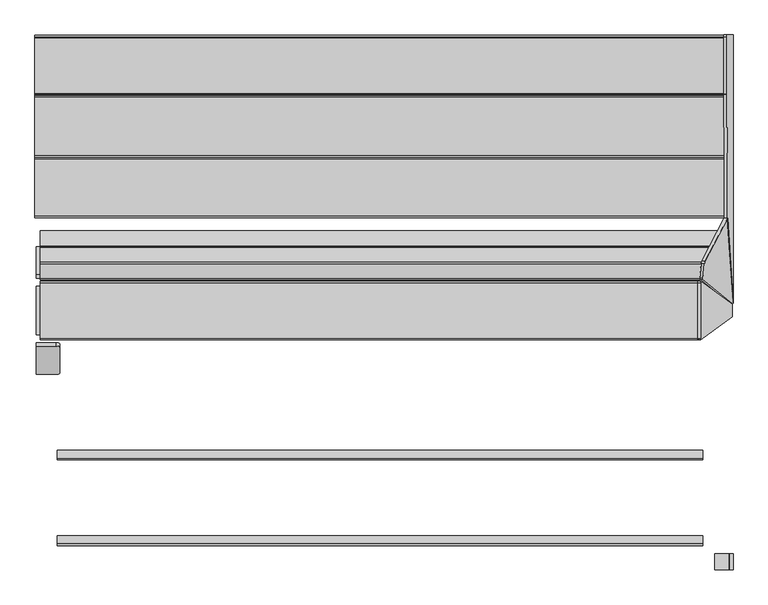
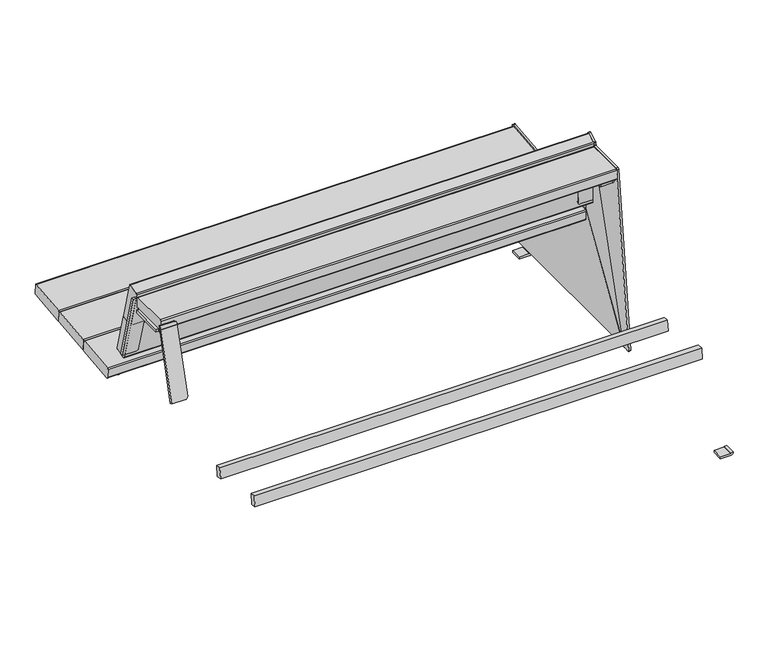
"""IFC4 building model written with IfcOpenShell, lengths in millimetres: furniture geometry."""

from ifc_helpers import new_model, si_unit, point, frame, frame_2d, origin, place, context, project, spatial, polyline, circle_curve, ellipse_curve, trimmed, segment, composite_curve, outline, extrude, source, transform, mapped, element, save
from ifc_brep_helpers import plane_surface, cylinder_surface, revolved_surface, advanced_brep


def furniture_0aa07b95(model_context):
    return source(origin(), model_context, "Body", "SolidModel", [
        extrude(outline(composite_curve([segment(polyline([(-50.4131532, 0.0), (0.0, 0.0)]), True, "CONTINUOUS"), segment(trimmed(circle_curve(frame_2d((0.0, -8.0000001)), 8.0), [point((0.0, 0.0))], [point((7.9184089, -6.8603506))], False, "CARTESIAN"), True, "CONTINUOUS"), segment(polyline([(7.9184089, -6.8603506), (7.45034, -256.1095797)]), True, "CONTINUOUS"), segment(trimmed(circle_curve(frame_2d((-0.5496459, -256.0945564)), 8.0), [point((7.45034, -256.1095797))], [point((-0.5646692, -264.0945423))], False, "CARTESIAN"), True, "CONTINUOUS"), segment(polyline([(-0.5646692, -264.0945423), (-50.9089228, -264.0), (-50.4131532, 0.0)]), True, "CONTINUOUS")], self_intersect=False)), frame((-809.1212977, 506.2807973, 503.5014558), z_axis=(-0.0013631459484884157, 0.9642258427672697, 0.2650786033856215), x_axis=(0.9999973076401404, 0.0018121741131812883, -0.0014493920980689612)), (0.0, 0.0, 1.0), 8.5816086),
        extrude(outline(composite_curve([segment(polyline([(0.0, 0.0), (264.0004656, 0.0), (264.0004656, -50.3443424)]), True, "CONTINUOUS"), segment(trimmed(circle_curve(frame_2d((256.0004656, -50.3443424)), 8.0), [point((264.0004656, -50.3443424))], [point((256.0004656, -58.3443424))], False, "CARTESIAN"), True, "CONTINUOUS"), segment(polyline([(256.0004656, -58.3443424), (6.750797, -58.3443424)]), True, "CONTINUOUS"), segment(trimmed(circle_curve(frame_2d((7.9053145, -50.4280877)), 8.0), [point((6.750797, -58.3443424))], [point((-0.0946714, -50.4130643))], False, "CARTESIAN"), True, "CONTINUOUS"), segment(polyline([(-0.0946714, -50.4130643), (0.0, 0.0)]), True, "CONTINUOUS")], self_intersect=False)), frame((-859.5343152, 204.7655811, 503.5745242), z_axis=(-0.0013631459484884229, -0.9642258427672697, 0.2650786033856215), x_axis=(0.0, 0.265078849666105, 0.9642267386147796)), (0.0, 0.0, 1.0), 8.5816086),
        extrude(outline(composite_curve([segment(polyline([(8.0, 873.0307512), (8.0, 836.3870635), (0.0, 836.3870635), (0.0, 874.0907197)]), True, "CONTINUOUS"), segment(trimmed(circle_curve(frame_2d((8.2703475, 873.7509968)), 8.277322), [point((0.0, 874.0907197))], [point((8.2703475, 882.0283188))], False, "CARTESIAN"), True, "CONTINUOUS"), segment(polyline([(8.2703475, 882.0283188), (10.2731042, 882.0283188), (9.9939083, 874.0331922), (9.0714168, 874.0654063)]), True, "CONTINUOUS"), segment(trimmed(circle_curve(frame_2d((9.0352858, 873.0307512)), 1.0352858), [point((9.0714168, 874.0654063))], [point((8.0, 873.0307512))], True, "CARTESIAN"), True, "CONTINUOUS")], self_intersect=False)), frame((0.0, -292.8663844, 0.0), z_axis=(0.0, 1.0, 0.0), x_axis=(0.0, 0.0, 1.0)), (0.0, 0.0, 1.0), 40.0),
        advanced_brep(
        [(868.107991, 586.0009623, 408.8991383), (881.9905734, 374.8756351, 11.3539925), (882.0283188, 377.6111261, 10.2731042), (882.0283188, 407.6111261, 10.2731042), (882.0283188, 447.6111261, 10.2731042), (882.0283188, 963.8214054, 10.2731042), (882.0283188, 1003.8214054, 10.2731042), (882.0283188, 1040.2989159, 10.2731042), (881.8887208, 1044.2989159, 14.2706676), (866.5175483, 1044.2989159, 454.4434578), (866.3787748, 1039.8648139, 458.4174101), (860.1128644, 586.0009623, 408.6199423), (858.3836482, 1039.8648139, 458.1382142), (858.5224217, 1044.2989159, 454.1642618), (873.8935942, 1044.2989159, 13.9914716), (874.0331922, 1040.2989159, 9.9939083), (874.0331922, 1003.8214054, 9.9939083), (874.0654063, 1003.8214054, 9.0714168), (874.0654063, 963.8214054, 9.0714168), (874.0331922, 963.8214054, 9.9939083), (874.0331922, 447.6111261, 9.9939083), (874.0654063, 447.6111261, 9.0714168), (874.0654063, 407.6111261, 9.0714168), (874.0331922, 407.6111261, 9.9939083), (874.0331922, 377.6111261, 9.9939083), (873.9954468, 374.8756351, 11.0747965), (873.0307512, 407.6111261, 8.0), (836.3870635, 407.6111261, 8.0), (836.3870635, 407.6111261, 0.0), (874.0907197, 407.6111261, 0.0), (882.0283188, 407.6111261, 8.2703475), (873.0307512, 447.6111261, 8.0), (882.0283188, 447.6111261, 8.2703475), (874.0907197, 447.6111261, 0.0), (836.3870635, 447.6111261, 0.0), (836.3870635, 447.6111261, 8.0), (873.0307512, 1003.8214054, 8.0), (882.0283188, 1003.8214054, 8.2703475), (874.0907197, 1003.8214054, 0.0), (836.3870635, 1003.8214054, 0.0), (836.3870635, 1003.8214054, 8.0), (873.0307512, 963.8214054, 8.0), (836.3870635, 963.8214054, 8.0), (836.3870635, 963.8214054, 0.0), (874.0907197, 963.8214054, 0.0), (882.0283188, 963.8214054, 8.2703475)],
        [
            (0, 1),
            (1, 2, circle_curve(frame((881.8887163, 377.6111261, 14.2707962), z_axis=(0.9993908270190959, 0.0, 0.0348994967025008), x_axis=(0.0348994967025008, 0.0, -0.9993908270190959)), 4.0001287)),
            (2, 3),
            (3, 4),
            (4, 5),
            (5, 6),
            (6, 7),
            (7, 8, circle_curve(frame((881.8887208, 1040.2989159, 14.2706676), z_axis=(0.9993908270190959, 0.0, 0.0348994967025008), x_axis=(0.0348994967025008, 0.0, -0.9993908270190959)), 4.0)),
            (8, 9),
            (9, 10, circle_curve(frame((866.5175483, 1040.2989159, 454.4434578), z_axis=(0.9993908270190959, 0.0, 0.0348994967025008), x_axis=(0.0348994967025008, 0.0, -0.9993908270190959)), 4.0)),
            (10, 0),
            (11, 12),
            (12, 13, circle_curve(frame((858.5224217, 1040.2989159, 454.1642618), z_axis=(-0.9993908270190959, 0.0, -0.0348994967025008), x_axis=(0.0348994967025008, 0.0, -0.9993908270190959)), 4.0)),
            (13, 14),
            (14, 15, circle_curve(frame((873.8935942, 1040.2989159, 13.9914716), z_axis=(-0.9993908270190959, 0.0, -0.0348994967025008), x_axis=(0.0348994967025008, 0.0, -0.9993908270190959)), 4.0)),
            (15, 16),
            (16, 17),
            (17, 18),
            (18, 19),
            (19, 20),
            (20, 21),
            (21, 22),
            (22, 23),
            (23, 24),
            (24, 25, circle_curve(frame((873.8935897, 377.6111261, 13.9916002), z_axis=(-0.9993908270190959, 0.0, -0.0348994967025008), x_axis=(0.0348994967025008, 0.0, -0.9993908270190959)), 4.0001287)),
            (25, 11),
            (0, 11),
            (25, 1),
            (24, 2),
            (23, 3),
            (15, 7),
            (6, 16),
            (4, 20),
            (19, 5),
            (14, 8),
            (13, 9),
            (12, 10),
            (26, 27),
            (27, 28),
            (28, 29),
            (29, 30, circle_curve(frame((873.7509968, 407.6111261, 8.2703475), z_axis=(0.0, -1.0, 0.0), x_axis=(-1.0, 0.0, 0.0)), 8.277322)),
            (30, 3),
            (22, 26, circle_curve(frame((873.0307512, 407.6111261, 9.0352858), z_axis=(0.0, 1.0, 0.0), x_axis=(-1.0, 0.0, 0.0)), 1.0352858)),
            (31, 21, circle_curve(frame((873.0307512, 447.6111261, 9.0352858), z_axis=(0.0, -1.0, 0.0), x_axis=(-1.0, 0.0, 0.0)), 1.0352858)),
            (4, 32),
            (32, 33, circle_curve(frame((873.7509968, 447.6111261, 8.2703475), z_axis=(0.0, 1.0, 0.0), x_axis=(-1.0, 0.0, 0.0)), 8.277322)),
            (33, 34),
            (34, 35),
            (35, 31),
            (31, 26),
            (28, 34),
            (33, 29),
            (27, 35),
            (30, 32),
            (36, 17, circle_curve(frame((873.0307512, 1003.8214054, 9.0352858), z_axis=(0.0, -1.0, 0.0), x_axis=(-1.0, 0.0, 0.0)), 1.0352858)),
            (6, 37),
            (37, 38, circle_curve(frame((873.7509968, 1003.8214054, 8.2703475), z_axis=(0.0, 1.0, 0.0), x_axis=(-1.0, 0.0, 0.0)), 8.277322)),
            (38, 39),
            (39, 40),
            (40, 36),
            (41, 42),
            (42, 43),
            (43, 44),
            (44, 45, circle_curve(frame((873.7509968, 963.8214054, 8.2703475), z_axis=(0.0, -1.0, 0.0), x_axis=(-1.0, 0.0, 0.0)), 8.277322)),
            (45, 5),
            (18, 41, circle_curve(frame((873.0307512, 963.8214054, 9.0352858), z_axis=(0.0, 1.0, 0.0), x_axis=(-1.0, 0.0, 0.0)), 1.0352858)),
            (36, 41),
            (38, 44),
            (43, 39),
            (42, 40),
            (45, 37),
        ],
        [
            plane_surface(frame((868.0672975, 586.6198261, 410.0644476), z_axis=(0.9993908270190959, 0.0, 0.0348994967025008), x_axis=(0.030826689731681154, -0.46881010804538603, -0.8827608950302795))),
            plane_surface(frame((860.0721709, 586.6198261, 409.7852516), z_axis=(-0.9993908270190959, 0.0, -0.0348994967025008), x_axis=(-0.030826689731681154, 0.46881010804538603, 0.8827608950302795))),
            plane_surface(frame((868.107991, 586.0009623, 408.8991383), z_axis=(-0.01636123681982749, -0.8832989769010681, 0.4685245215943901), x_axis=(-0.9993908270190959, 0.0, -0.03489949670249758))),
            cylinder_surface(frame((873.8935897, 377.6111261, 13.9916002), z_axis=(0.9993908270190959, 0.0, 0.0348994967025008), x_axis=(0.0348994967025008, 0.0, -0.9993908270190959)), 4.0001287),
            plane_surface(frame((882.0283188, 377.6111261, 10.2731042), z_axis=(0.034899496702506035, 0.0, -0.9993908270190955), x_axis=(-0.9993908270190955, 0.0, -0.034899496702506035))),
            cylinder_surface(frame((873.8935942, 1040.2989159, 13.9914716), z_axis=(0.9993908270190959, 0.0, 0.0348994967025008), x_axis=(0.0348994967025008, 0.0, -0.9993908270190959)), 4.0),
            plane_surface(frame((881.8887208, 1044.2989159, 14.2706676), z_axis=(0.0, 1.0, 0.0), x_axis=(-0.9993908270190959, 0.0, -0.03489949670249758))),
            cylinder_surface(frame((858.5224217, 1040.2989159, 454.1642618), z_axis=(0.9993908270190959, 0.0, 0.0348994967025008), x_axis=(0.0348994967025008, 0.0, -0.9993908270190959)), 4.0),
            plane_surface(frame((866.3787748, 1039.8648139, 458.4174101), z_axis=(-0.03469336856702337, -0.10852550922751893, 0.9934880895231611), x_axis=(-0.9993908270190962, 0.0, -0.03489949670248914))),
            plane_surface(frame((836.3870635, 407.6111261, 8.0), z_axis=(0.0, -1.0, 0.0), x_axis=(-1.0, 0.0, 0.0))),
            plane_surface(frame((836.3870635, 447.6111261, 8.0), z_axis=(0.0, 1.0, 0.0), x_axis=(1.0, 0.0, 0.0))),
            revolved_surface(polyline([(871.9954654000001, 447.6111261, 9.0352858), (871.9954654000001, 407.6111261, 9.0352858)]), (873.0307512, 447.6111261, 9.0352858), (0.0, 1.0, 0.0)),
            plane_surface(frame((836.3870635, 407.6111261, 0.0), z_axis=(0.0, 0.0, -1.0), x_axis=(0.0, 1.0, 0.0))),
            plane_surface(frame((836.3870635, 407.6111261, 8.0), z_axis=(-1.0, 0.0, 0.0), x_axis=(0.0, 1.0, 0.0))),
            plane_surface(frame((873.0307512, 407.6111261, 8.0), z_axis=(0.0, 0.0, 1.0), x_axis=(0.0, 1.0, 0.0))),
            plane_surface(frame((882.0283188, 407.6111261, 8.2703475), z_axis=(1.0, 0.0, 0.0), x_axis=(0.0, 1.0, 0.0))),
            cylinder_surface(frame((873.7509968, 447.6111261, 8.2703475), z_axis=(0.0, -1.0, 0.0), x_axis=(-1.0, 0.0, 0.0)), 8.277322),
            plane_surface(frame((871.9954653, 1003.8214054, 9.0352858), z_axis=(0.0, 1.0, 0.0), x_axis=(0.0, 0.0, -1.0))),
            plane_surface(frame((871.9954653, 963.8214054, 9.0352858), z_axis=(0.0, -1.0, 0.0), x_axis=(0.0, 0.0, 1.0))),
            revolved_surface(polyline([(871.9954654000001, 963.8214054, 9.0352858), (871.9954654000001, 1003.8214054, 9.0352858)]), (873.0307512, 963.8214054, 9.0352858), (0.0, -1.0, 0.0)),
            plane_surface(frame((874.0907197, 1003.8214054, 0.0), z_axis=(0.0, 0.0, -1.0), x_axis=(0.0, -1.0, 0.0))),
            plane_surface(frame((836.3870635, 1003.8214054, 0.0), z_axis=(-1.0, 0.0, 0.0), x_axis=(0.0, -1.0, 0.0))),
            plane_surface(frame((836.3870635, 1003.8214054, 8.0), z_axis=(0.0, 0.0, 1.0), x_axis=(0.0, -1.0, 0.0))),
            plane_surface(frame((882.0283188, 1003.8214054, 10.2731042), z_axis=(1.0, 0.0, 0.0), x_axis=(0.0, -1.0, 0.0))),
            cylinder_surface(frame((873.7509968, 963.8214054, 8.2703475), z_axis=(0.0, 1.0, 0.0), x_axis=(-1.0, 0.0, 0.0)), 8.277322),
        ],
        [
            (0, [[1, 2, 3, 4, 5, 6, 7, 8, 9, 10, 11]]),
            (1, [[12, 13, 14, 15, 16, 17, 18, 19, 20, 21, 22, 23, 24, 25, 26]]),
            (2, [[-1, 27, -26, 28]]),
            (3, [[-2, -28, -25, 29]]),
            (4, [[-29, -24, 30, -3]]),
            (4, [[31, -7, 32, -16]]),
            (4, [[33, -20, 34, -5]]),
            (5, [[-8, -31, -15, 35]]),
            (6, [[-9, -35, -14, 36]]),
            (7, [[-10, -36, -13, 37]]),
            (8, [[-11, -37, -12, -27]]),
            (9, [[38, 39, 40, 41, 42, -30, -23, 43]]),
            (10, [[44, -21, -33, 45, 46, 47, 48, 49]]),
            (11, [[-43, -22, -44, 50]]),
            (12, [[-40, 51, -47, 52]]),
            (13, [[-39, 53, -48, -51]]),
            (14, [[-38, -50, -49, -53]]),
            (15, [[-42, 54, -45, -4]]),
            (16, [[-41, -52, -46, -54]]),
            (17, [[55, -17, -32, 56, 57, 58, 59, 60]]),
            (18, [[61, 62, 63, 64, 65, -34, -19, 66]]),
            (19, [[-55, 67, -66, -18]]),
            (20, [[-58, 68, -63, 69]]),
            (21, [[-59, -69, -62, 70]]),
            (22, [[-60, -70, -61, -67]]),
            (23, [[-56, -6, -65, 71]]),
            (24, [[-57, -71, -64, -68]]),
        ],
    ),
        advanced_brep(
        [(812.5430123, 614.3955054, 347.1443157), (812.5430123, 1032.0535086, 392.7020678), (812.5430123, 1030.2988015, 408.7964286), (812.5430123, 612.6384188, 363.2605016), (806.5474184, 1032.0535086, 392.7020678), (806.5474184, 614.3955054, 347.1443157), (806.5474184, 613.1170209, 358.8707122), (806.5474184, 1030.7774035, 404.4066392), (805.5963377, 1030.6743217, 405.3521172), (766.5577736, 1030.6743217, 405.3521172), (766.5577736, 1029.8652657, 412.772865), (808.5430123, 1029.8652657, 412.772865), (808.5430123, 612.2048831, 367.236938), (766.5577736, 612.2048831, 367.236938), (766.5577736, 613.013939, 359.8161902), (805.5963377, 613.013939, 359.8161902)],
        [
            (0, 1, circle_curve(frame((812.5430123, 770.7220857, 851.2475639), z_axis=(1.0, 0.0, 0.0), x_axis=(0.0, 1.0, 0.0)), 527.7860216)),
            (1, 2),
            (2, 3),
            (3, 0),
            (4, 5, circle_curve(frame((806.5474184, 770.7220857, 851.2475639), z_axis=(-1.0, 0.0, 0.0), x_axis=(0.0, 1.0, 0.0)), 527.7860216)),
            (5, 6),
            (6, 7),
            (7, 4),
            (1, 4),
            (7, 8, circle_curve(frame((805.5963377, 1030.7774035, 404.4066392), z_axis=(0.0, -0.9941091089617909, -0.10838394474826071), x_axis=(0.0, 0.10838394474826071, -0.9941091089617909)), 0.9510807)),
            (8, 9),
            (9, 10),
            (10, 11),
            (11, 2, circle_curve(frame((808.5430123, 1030.2988015, 408.7964286), z_axis=(0.0, 0.9941091089617909, 0.10838394474826071), x_axis=(0.0, 0.10838394474826071, -0.9941091089617909)), 4.0)),
            (0, 5),
            (3, 12, circle_curve(frame((808.5430123, 612.6384188, 363.2605016), z_axis=(0.0, -0.9941091089617909, -0.10838394474826071), x_axis=(0.0, 0.10838394474826071, -0.9941091089617909)), 4.0)),
            (12, 13),
            (13, 14),
            (14, 15),
            (15, 6, circle_curve(frame((805.5963377, 613.1170209, 358.8707122), z_axis=(0.0, 0.9941091089617909, 0.10838394474826071), x_axis=(0.0, 0.10838394474826071, -0.9941091089617909)), 0.9510807)),
            (9, 14),
            (13, 10),
            (8, 15),
            (11, 12),
        ],
        [
            plane_surface(frame((812.5430123, 613.1510989, 358.5581456), z_axis=(1.0, 0.0, 0.0), x_axis=(0.0, -0.9941091089617913, -0.10838394474825762))),
            plane_surface(frame((806.5474184, 613.1510989, 358.5581456), z_axis=(-1.0, 0.0, 0.0), x_axis=(0.0, 0.9941091089617913, 0.10838394474825762))),
            plane_surface(frame((812.5430123, 1032.0535086, 392.7020678), z_axis=(0.0, 0.994109108961791, 0.10838394474826007), x_axis=(-1.0, 0.0, 0.0))),
            cylinder_surface(frame((806.5474184, 770.7220857, 851.2475639), z_axis=(1.0, 0.0, 0.0), x_axis=(0.0, 1.0, 0.0)), 527.7860216),
            plane_surface(frame((812.5430123, 613.1510989, 358.5581456), z_axis=(0.0, -0.994109108961791, -0.10838394474826041), x_axis=(-1.0, 0.0, 0.0))),
            plane_surface(frame((766.5577736, 1030.6743217, 405.3521172), z_axis=(-1.0000000000000002, 0.0, 0.0), x_axis=(0.0, -0.994109108961791, -0.10838394474826069))),
            plane_surface(frame((805.5963377, 1030.6743217, 405.3521172), z_axis=(0.0, 0.10838394474826069, -0.994109108961791), x_axis=(0.0, -0.994109108961791, -0.10838394474826069))),
            revolved_surface(polyline([(805.5963377, 613.220102757714, 357.9252342105562), (805.5963377, 1030.8804854548553, 403.46116123677587)]), (805.5963377, 613.1170209, 358.8707122), (0.0, -0.9941091089617909, -0.10838394474826071)),
            cylinder_surface(frame((808.5430123, 612.6384188, 363.2605016), z_axis=(0.0, 0.9941091089617909, 0.10838394474826071), x_axis=(0.0, 0.10838394474826071, -0.9941091089617909)), 4.0),
            plane_surface(frame((766.5577736, 1029.8652657, 412.772865), z_axis=(0.0, -0.10838394474826069, 0.994109108961791), x_axis=(0.0, -0.994109108961791, -0.10838394474826069))),
        ],
        [
            (0, [[1, 2, 3, 4]]),
            (1, [[5, 6, 7, 8]]),
            (2, [[-2, 9, -8, 10, 11, 12, 13, 14]]),
            (3, [[-1, 15, -5, -9]]),
            (4, [[-6, -15, -4, 16, 17, 18, 19, 20]]),
            (5, [[-12, 21, -18, 22]]),
            (6, [[-11, 23, -19, -21]]),
            (7, [[-10, -7, -20, -23]]),
            (8, [[-14, 24, -16, -3]]),
            (9, [[-13, -22, -17, -24]]),
        ],
    ),
        advanced_brep(
        [(813.6175866, 1032.0535086, 392.7020678), (813.6175866, 614.3955054, 347.1443157), (813.6175866, 612.6552624, 363.1060105), (813.6175866, 1030.315645, 408.6419375), (819.6131806, 614.3955054, 347.1443157), (819.6131806, 1032.0535086, 392.7020678), (819.6131806, 1030.7774035, 404.4066392), (819.6131806, 613.1170209, 358.8707122), (817.6175866, 1029.8821093, 412.6183739), (859.6028254, 1029.8821093, 412.6183739), (859.6028254, 1030.6743217, 405.3521172), (820.5642613, 1030.6743217, 405.3521172), (820.5642613, 613.013939, 359.8161902), (859.6028254, 613.013939, 359.8161902), (859.6028254, 612.2217266, 367.0824469), (817.6175866, 612.2217266, 367.0824469)],
        [
            (0, 1, circle_curve(frame((813.6175866, 770.7220857, 851.2475639), z_axis=(-1.0, 0.0, 0.0), x_axis=(0.0, 1.0, 0.0)), 527.7860216)),
            (1, 2),
            (2, 3),
            (3, 0),
            (4, 5, circle_curve(frame((819.6131806, 770.7220857, 851.2475639), z_axis=(1.0, 0.0, 0.0), x_axis=(0.0, 1.0, 0.0)), 527.7860216)),
            (5, 6),
            (6, 7),
            (7, 4),
            (5, 0),
            (3, 8, circle_curve(frame((817.6175866, 1030.315645, 408.6419375), z_axis=(0.0, 0.9941091089617909, 0.10838394474826071), x_axis=(0.0, 0.10838394474826071, -0.9941091089617909)), 4.0)),
            (8, 9),
            (9, 10),
            (10, 11),
            (11, 6, circle_curve(frame((820.5642613, 1030.7774035, 404.4066392), z_axis=(0.0, -0.9941091089617909, -0.10838394474826071), x_axis=(0.0, 0.10838394474826071, -0.9941091089617909)), 0.9510807)),
            (4, 1),
            (7, 12, circle_curve(frame((820.5642613, 613.1170209, 358.8707122), z_axis=(0.0, 0.9941091089617909, 0.10838394474826071), x_axis=(0.0, 0.10838394474826071, -0.9941091089617909)), 0.9510807)),
            (12, 13),
            (13, 14),
            (14, 15),
            (15, 2, circle_curve(frame((817.6175866, 612.6552624, 363.1060105), z_axis=(0.0, -0.9941091089617909, -0.10838394474826071), x_axis=(0.0, 0.10838394474826071, -0.9941091089617909)), 4.0)),
            (9, 14),
            (13, 10),
            (12, 11),
            (15, 8),
        ],
        [
            plane_surface(frame((813.6175866, 1030.8114815, 404.0940726), z_axis=(-1.0, 0.0, 0.0), x_axis=(0.0, 0.10838394474826071, -0.9941091089617909))),
            plane_surface(frame((819.6131806, 1030.8114815, 404.0940726), z_axis=(1.0, 0.0, 0.0), x_axis=(0.0, -0.10838394474826071, 0.9941091089617909))),
            plane_surface(frame((813.6175866, 1030.8114815, 404.0940726), z_axis=(0.0, 0.9941091089617909, 0.10838394474826071), x_axis=(1.0, 0.0, 0.0))),
            cylinder_surface(frame((819.6131806, 770.7220857, 851.2475639), z_axis=(-1.0, 0.0, 0.0), x_axis=(0.0, 1.0, 0.0)), 527.7860216),
            plane_surface(frame((813.6175866, 614.3955054, 347.1443157), z_axis=(0.0, -0.994109108961791, -0.10838394474826041), x_axis=(1.0, 0.0, 0.0))),
            plane_surface(frame((859.6028254, 1029.8821093, 412.6183739), z_axis=(1.0000000000000002, 0.0, 0.0), x_axis=(0.0, -0.994109108961791, -0.10838394474826081))),
            plane_surface(frame((859.6028254, 1030.6743217, 405.3521172), z_axis=(0.0, 0.10838394474826064, -0.994109108961791), x_axis=(0.0, -0.994109108961791, -0.10838394474826064))),
            revolved_surface(polyline([(820.5642613, 613.220102757714, 357.9252342105562), (820.5642613, 1030.8804854548553, 403.46116123677587)]), (820.5642613, 613.1170209, 358.8707122), (0.0, -0.9941091089617909, -0.10838394474826071)),
            cylinder_surface(frame((817.6175866, 612.6552624, 363.1060105), z_axis=(0.0, 0.9941091089617909, 0.10838394474826071), x_axis=(0.0, 0.10838394474826071, -0.9941091089617909)), 4.0),
            plane_surface(frame((817.6175866, 1029.8821093, 412.6183739), z_axis=(0.0, -0.10838394474826081, 0.994109108961791), x_axis=(0.0, -0.994109108961791, -0.10838394474826081))),
        ],
        [
            (0, [[1, 2, 3, 4]]),
            (1, [[5, 6, 7, 8]]),
            (2, [[-6, 9, -4, 10, 11, 12, 13, 14]]),
            (3, [[-1, -9, -5, 15]]),
            (4, [[-2, -15, -8, 16, 17, 18, 19, 20]]),
            (5, [[-12, 21, -18, 22]]),
            (6, [[-13, -22, -17, 23]]),
            (7, [[-14, -23, -16, -7]]),
            (8, [[-10, -3, -20, 24]]),
            (9, [[-11, -24, -19, -21]]),
        ],
    ),
        advanced_brep(
        [(-766.5577736, 1029.8448496, 412.9601231), (-766.5577736, 1030.6743217, 405.3521172), (-805.5963377, 1030.6743217, 405.3521172), (-806.5474184, 1030.7774035, 404.4066392), (-806.5474184, 1032.0535086, 392.7020678), (-812.5430123, 1032.0535086, 392.7020678), (-812.5430123, 1030.8114815, 404.0940726), (-812.5430123, 1030.2783854, 408.9836866), (-808.5430123, 1029.8448496, 412.9601231), (-766.5577736, 612.184467, 367.4241961), (-808.5430123, 612.184467, 367.4241961), (-812.5430123, 612.6180028, 363.4477596), (-812.5430123, 613.1510989, 358.5581456), (-812.5430123, 614.3955054, 347.1443157), (-806.5474184, 614.3955054, 347.1443157), (-806.5474184, 613.1170209, 358.8707122), (-805.5963377, 613.013939, 359.8161902), (-766.5577736, 613.013939, 359.8161902)],
        [
            (0, 1),
            (1, 2),
            (2, 3, circle_curve(frame((-805.5963377, 1030.7774035, 404.4066392), z_axis=(0.0, -0.9941091089617909, -0.10838394474826071), x_axis=(0.0, 0.10838394474826071, -0.9941091089617909)), 0.9510807)),
            (3, 4),
            (4, 5),
            (5, 6),
            (6, 7),
            (7, 8, circle_curve(frame((-808.5430123, 1030.2783854, 408.9836866), z_axis=(0.0, 0.9941091089617909, 0.10838394474826071), x_axis=(0.0, 0.10838394474826071, -0.9941091089617909)), 4.0)),
            (8, 0),
            (9, 10),
            (10, 11, circle_curve(frame((-808.5430123, 612.6180028, 363.4477596), z_axis=(0.0, -0.9941091089617909, -0.10838394474826071), x_axis=(0.0, 0.10838394474826071, -0.9941091089617909)), 4.0)),
            (11, 12),
            (12, 13),
            (13, 14),
            (14, 15),
            (15, 16, circle_curve(frame((-805.5963377, 613.1170209, 358.8707122), z_axis=(0.0, 0.9941091089617909, 0.10838394474826071), x_axis=(0.0, 0.10838394474826071, -0.9941091089617909)), 0.9510807)),
            (16, 17),
            (17, 9),
            (0, 9),
            (17, 1),
            (16, 2),
            (15, 3),
            (14, 4, circle_curve(frame((-806.5474184, 770.7220857, 851.2475639), z_axis=(1.0, 0.0, 0.0), x_axis=(0.0, 1.0, 0.0)), 527.7860216)),
            (5, 13, circle_curve(frame((-812.5430123, 770.7220857, 851.2475639), z_axis=(-1.0, 0.0, 0.0), x_axis=(0.0, 1.0, 0.0)), 527.7860216)),
            (12, 6),
            (11, 7),
            (10, 8),
        ],
        [
            plane_surface(frame((-766.5577736, 1030.7974029, 404.223203), z_axis=(0.0, 0.9941091089617909, 0.1083839447482607), x_axis=(0.0, 0.1083839447482607, -0.9941091089617909))),
            plane_surface(frame((-766.5577736, 613.1370203, 358.6872759), z_axis=(0.0, -0.9941091089617909, -0.1083839447482607), x_axis=(0.0, -0.1083839447482607, 0.9941091089617909))),
            plane_surface(frame((-766.5577736, 1029.8448496, 412.9601231), z_axis=(1.0000000000000002, 0.0, 0.0), x_axis=(0.0, -0.994109108961791, -0.10838394474826064))),
            plane_surface(frame((-766.5577736, 1030.6743217, 405.3521172), z_axis=(0.0, 0.10838394474826064, -0.994109108961791), x_axis=(0.0, -0.994109108961791, -0.10838394474826064))),
            revolved_surface(polyline([(-805.5963377, 613.220102757714, 357.9252342105562), (-805.5963377, 1030.8804854548553, 403.46116123677587)]), (-805.5963377, 613.1170209, 358.8707122), (0.0, -0.9941091089617909, -0.10838394474826071)),
            plane_surface(frame((-806.5474184, 1030.7774035, 404.4066392), z_axis=(1.0000000000000002, 0.0, 0.0), x_axis=(0.0, -0.994109108961791, -0.10838394474826064))),
            plane_surface(frame((-812.5430123, 1031.1577981, 400.9176199), z_axis=(-1.0000000000000002, 0.0, 0.0), x_axis=(0.0, -0.994109108961791, -0.10838394474826069))),
            plane_surface(frame((-812.5430123, 1030.8114815, 404.0940726), z_axis=(-1.0000000000000002, 0.0, 0.0), x_axis=(0.0, -0.994109108961791, -0.10838394474826064))),
            cylinder_surface(frame((-808.5430123, 612.6180028, 363.4477596), z_axis=(0.0, 0.9941091089617909, 0.10838394474826071), x_axis=(0.0, 0.10838394474826071, -0.9941091089617909)), 4.0),
            plane_surface(frame((-808.5430123, 1029.8448496, 412.9601231), z_axis=(0.0, -0.10838394474826064, 0.994109108961791), x_axis=(0.0, -0.994109108961791, -0.10838394474826064))),
            cylinder_surface(frame((-806.5474184, 770.7220857, 851.2475639), z_axis=(-1.0, 0.0, 0.0), x_axis=(0.0, 1.0, 0.0)), 527.7860216),
        ],
        [
            (0, [[1, 2, 3, 4, 5, 6, 7, 8, 9]]),
            (1, [[10, 11, 12, 13, 14, 15, 16, 17, 18]]),
            (2, [[-1, 19, -18, 20]]),
            (3, [[-2, -20, -17, 21]]),
            (4, [[-3, -21, -16, 22]]),
            (5, [[-4, -22, -15, 23]]),
            (6, [[-6, 24, -13, 25]]),
            (7, [[-7, -25, -12, 26]]),
            (8, [[-8, -26, -11, 27]]),
            (9, [[-9, -27, -10, -19]]),
            (10, [[-24, -5, -23, -14]]),
        ],
    ),
        advanced_brep(
        [(755.6213648, 436.3881917, 758.0115669), (747.7201407, 438.8252421, 749.187405), (783.8789303, 504.4993866, 510.1111606), (791.810201, 506.3035507, 503.507711), (838.5244284, 506.2188962, 503.5754184), (800.8552394, 436.3062198, 758.0771287), (791.821899, 514.5781595, 505.7825119), (783.8906283, 512.7739954, 512.3859614), (747.7318387, 447.0998509, 751.4622058), (755.6330628, 444.6628005, 760.2863677), (801.7672166, 444.5791971, 760.3532344), (839.4364056, 514.4918735, 505.8515241)],
        [
            (0, 1, circle_curve(frame((755.6363881, 438.508799, 750.2977612), z_axis=(-0.0013631459484884367, -0.9642258427672697, -0.26507860338562145), x_axis=(-0.14431455675225052, -0.2621142782788856, 0.9541852093968657)), 8.0)),
            (1, 2),
            (2, 3, circle_curve(frame((791.7951777, 504.1829434, 511.2215168), z_axis=(-0.0013631459484884367, -0.9642258427672697, -0.26507860338562145), x_axis=(-0.14431455675225052, -0.2621142782788856, 0.9541852093968657)), 8.0)),
            (3, 4),
            (4, 5),
            (5, 0),
            (6, 7, circle_curve(frame((791.8068757, 512.4575522, 513.4963176), z_axis=(0.0013631459484884367, 0.9642258427672697, 0.26507860338562145), x_axis=(-0.14431455675225052, -0.2621142782788856, 0.9541852093968657)), 8.0)),
            (7, 8),
            (8, 9, circle_curve(frame((755.6480861, 446.7834078, 752.572562), z_axis=(0.0013631459484884367, 0.9642258427672697, 0.26507860338562145), x_axis=(-0.14431455675225052, -0.2621142782788856, 0.9541852093968657)), 8.0)),
            (9, 10),
            (10, 11),
            (11, 6),
            (0, 9),
            (8, 1),
            (7, 2),
            (6, 3),
            (11, 4),
            (5, 10),
        ],
        [
            plane_surface(frame((754.4818717, 436.4118848, 757.9312429), z_axis=(-0.0013631459484884229, -0.9642258427672699, -0.2650786033856216), x_axis=(-0.9895309245003537, 0.03955539485439853, -0.13879452509154702))),
            plane_surface(frame((754.4935697, 444.6864935, 760.2060437), z_axis=(0.0013631459484884229, 0.9642258427672699, 0.2650786033856216), x_axis=(0.9895309245003537, -0.03955539485439853, 0.13879452509154702))),
            cylinder_surface(frame((755.6480861, 446.7834078, 752.572562), z_axis=(-0.0013631459484884367, -0.9642258427672697, -0.26507860338562145), x_axis=(-0.14431455675225052, -0.2621142782788856, 0.9541852093968657)), 8.0),
            plane_surface(frame((747.7201407, 438.8252421, 749.187405), z_axis=(-0.9895309245003536, 0.03955539485440417, -0.13879452509154666), x_axis=(0.001363145948494428, 0.9642258427672704, 0.2650786033856188))),
            cylinder_surface(frame((791.8068757, 512.4575522, 513.4963176), z_axis=(-0.0013631459484884367, -0.9642258427672697, -0.26507860338562145), x_axis=(-0.14431455675225052, -0.2621142782788856, 0.9541852093968657)), 8.0),
            plane_surface(frame((791.810201, 506.3035507, 503.507711), z_axis=(0.001877909900274791, 0.2650759139656611, -0.964225716982116), x_axis=(0.001363145948494428, 0.9642258427672704, 0.2650786033856188))),
            plane_surface(frame((803.7316038, 436.3010073, 758.0812977), z_axis=(-0.0018779099002689853, -0.26507591396566116, 0.9642257169821161), x_axis=(0.001363145948494428, 0.9642258427672704, 0.2650786033856188))),
            plane_surface(frame((793.5542004, 409.6241106, 790.5666994), z_axis=(0.9845272064646964, -0.13817840671662343, 0.10776320173452693), x_axis=(0.10213209083076616, 0.9522059736125505, 0.28787639680791965))),
        ],
        [
            (0, [[1, 2, 3, 4, 5, 6]]),
            (1, [[7, 8, 9, 10, 11, 12]]),
            (2, [[-1, 13, -9, 14]]),
            (3, [[-2, -14, -8, 15]]),
            (4, [[-3, -15, -7, 16]]),
            (5, [[-16, -12, 17, -4]]),
            (6, [[-13, -6, 18, -10]]),
            (7, [[-5, -17, -11, -18]]),
        ],
    ),
        advanced_brep(
        [(821.0571971, 511.119243, 643.3442739), (821.0571971, 513.9167605, 648.260946), (821.0571971, 508.8855831, 666.5757995), (821.0571971, 485.2186212, 636.2290482), (-849.4957131, 475.4411271, 633.5430479), (-849.4957131, 470.5244194, 636.3405859), (-849.4957131, 432.4980687, 774.7668691), (-849.4957131, 435.295586, 779.6835409), (-849.4957131, 470.9736937, 789.4847667), (-849.4957131, 475.8904015, 786.687229), (-849.4957131, 513.9167605, 648.260946), (-849.4957131, 511.119243, 643.3442739), (819.9789267, 475.4411271, 633.5430479), (818.9826571, 470.5244194, 636.3405859), (798.4939597, 432.4980687, 774.7668691), (798.3484281, 435.295586, 779.6835409), (802.2830401, 470.9736937, 789.4847667), (803.2793097, 475.8904015, 786.687229)],
        [
            (0, 1, circle_curve(frame((821.0571971, 510.0596479, 647.2013788), z_axis=(1.0, 0.0, 0.0), x_axis=(0.0, 1.0, 0.0)), 4.0)),
            (1, 2),
            (2, 3),
            (3, 0),
            (4, 5, circle_curve(frame((-849.4957131, 474.381532, 637.4001528), z_axis=(-1.0, 0.0, 0.0), x_axis=(0.0, 1.0, 0.0)), 4.0)),
            (5, 6),
            (6, 7, circle_curve(frame((-849.4957131, 436.3551813, 775.8264361), z_axis=(-1.0, 0.0, 0.0), x_axis=(0.0, 1.0, 0.0)), 4.0)),
            (7, 8),
            (8, 9, circle_curve(frame((-849.4957131, 472.033289, 785.6276619), z_axis=(-1.0, 0.0, 0.0), x_axis=(0.0, 1.0, 0.0)), 4.0)),
            (9, 10),
            (10, 11, circle_curve(frame((-849.4957131, 510.0596479, 647.2013788), z_axis=(-1.0, 0.0, 0.0), x_axis=(0.0, 1.0, 0.0)), 4.0)),
            (11, 4),
            (4, 12),
            (12, 13, ellipse_curve(frame((819.4080261, 474.381532, 637.4001528), z_axis=(-0.9845272064646966, 0.13817840671662346, -0.10776320173452696), x_axis=(0.17523178858534888, 0.7763454442639471, -0.6054598016712538)), 4.0628639, 4.0)),
            (13, 5),
            (13, 14),
            (14, 6),
            (14, 15, ellipse_curve(frame((798.9193287, 436.3551813, 775.8264361), z_axis=(-0.9845272064646966, 0.13817840671662346, -0.10776320173452696), x_axis=(0.17523178858534888, 0.7763454442639471, -0.6054598016712538)), 4.0628639, 4.0)),
            (15, 7),
            (15, 16),
            (16, 8),
            (16, 17, ellipse_curve(frame((802.8539407, 472.033289, 785.6276619), z_axis=(-0.9845272064646966, 0.13817840671662346, -0.10776320173452696), x_axis=(0.17523178858534888, 0.7763454442639471, -0.6054598016712538)), 4.0628639, 4.0)),
            (17, 9),
            (17, 2),
            (1, 10),
            (0, 11),
            (3, 12),
        ],
        [
            plane_surface(frame((821.0571971, 511.1192622, 643.3442792), z_axis=(1.0, 0.0, 0.0), x_axis=(0.0, 0.9642762254474655, 0.2648987750760444))),
            plane_surface(frame((-849.4957131, 511.1192622, 643.3442792), z_axis=(-1.0, 0.0, 0.0), x_axis=(0.0, -0.9642762254474655, -0.2648987750760444))),
            cylinder_surface(frame((-849.4957131, 474.381532, 637.4001528), z_axis=(1.0, 0.0, 0.0), x_axis=(0.0, 1.0, 0.0)), 4.0),
            plane_surface(frame((821.0571971, 432.4980687, 774.7668691), z_axis=(0.0, -0.9642781573688651, -0.2648917424558686), x_axis=(-1.0, 0.0, 0.0))),
            cylinder_surface(frame((-849.4957131, 436.3551813, 775.8264361), z_axis=(1.0, 0.0, 0.0), x_axis=(0.0, 1.0, 0.0)), 4.0),
            plane_surface(frame((821.0571971, 470.9736937, 789.4847667), z_axis=(0.0, -0.2648988265500012, 0.9642762113069224), x_axis=(-1.0, 0.0, 0.0))),
            cylinder_surface(frame((-849.4957131, 472.033289, 785.6276619), z_axis=(1.0, 0.0, 0.0), x_axis=(0.0, 1.0, 0.0)), 4.0),
            plane_surface(frame((821.0571971, 513.9167605, 648.260946), z_axis=(0.0, 0.9642781425237716, 0.26489179649605016), x_axis=(-1.0, 0.0, 0.0))),
            cylinder_surface(frame((-849.4957131, 510.0596479, 647.2013788), z_axis=(1.0, 0.0, 0.0), x_axis=(0.0, 1.0, 0.0)), 4.0),
            plane_surface(frame((821.0571971, 475.4411271, 633.5430479), z_axis=(0.0, 0.2648987750760444, -0.9642762254474655), x_axis=(-1.0, 0.0, 0.0))),
            plane_surface(frame((793.5542004, 409.6241106, 790.5666994), z_axis=(0.9845272064646964, -0.13817840671662343, 0.10776320173452693), x_axis=(0.10213209083076616, 0.9522059736125505, 0.28787639680791965))),
        ],
        [
            (0, [[1, 2, 3, 4]]),
            (1, [[5, 6, 7, 8, 9, 10, 11, 12]]),
            (2, [[-5, 13, 14, 15]]),
            (3, [[-6, -15, 16, 17]]),
            (4, [[-7, -17, 18, 19]]),
            (5, [[-8, -19, 20, 21]]),
            (6, [[-9, -21, 22, 23]]),
            (7, [[-10, -23, 24, -2, 25]]),
            (8, [[-1, 26, -11, -25]]),
            (9, [[-12, -26, -4, 27, -13]]),
            (10, [[-3, -24, -22, -20, -18, -16, -14, -27]]),
        ],
    ),
        advanced_brep(
        [(845.3239935, 551.5006334, 496.3447884), (845.3239935, 554.2981509, 501.2614604), (845.3239935, 553.9239186, 502.6237678), (845.3239935, 548.3525901, 495.4799814), (-849.4957131, 515.8225178, 486.5435624), (-849.4957131, 510.90581, 489.3411004), (-849.4957131, 472.6434987, 628.6263446), (-849.4957131, 475.4410161, 633.5430164), (-849.4957131, 511.1191234, 643.3442421), (-849.4957131, 516.0358313, 640.5467044), (-849.4957131, 554.2981509, 501.2614604), (-849.4957131, 551.5006334, 496.3447884), (841.7365493, 515.8225178, 486.5435624), (840.7402797, 510.90581, 489.3411004), (820.1244461, 472.6434987, 628.6263446), (819.9789145, 475.4410161, 633.5430164), (823.9135265, 511.1191234, 643.3442421), (824.9097961, 516.0358313, 640.5467044)],
        [
            (0, 1, circle_curve(frame((845.3239935, 550.4410383, 500.2018933), z_axis=(1.0, 0.0, 0.0), x_axis=(0.0, 1.0, 0.0)), 4.0)),
            (1, 2),
            (2, 3),
            (3, 0),
            (4, 5, circle_curve(frame((-849.4957131, 514.7629227, 490.4006673), z_axis=(-1.0, 0.0, 0.0), x_axis=(0.0, 1.0, 0.0)), 4.0)),
            (5, 6),
            (6, 7, circle_curve(frame((-849.4957131, 476.5006114, 629.6859116), z_axis=(-1.0, 0.0, 0.0), x_axis=(0.0, 1.0, 0.0)), 4.0)),
            (7, 8),
            (8, 9, circle_curve(frame((-849.4957131, 512.1787187, 639.4871372), z_axis=(-1.0, 0.0, 0.0), x_axis=(0.0, 1.0, 0.0)), 4.0)),
            (9, 10),
            (10, 11, circle_curve(frame((-849.4957131, 550.4410383, 500.2018933), z_axis=(-1.0, 0.0, 0.0), x_axis=(0.0, 1.0, 0.0)), 4.0)),
            (11, 4),
            (4, 12),
            (12, 13, ellipse_curve(frame((841.1656487, 514.7629227, 490.4006673), z_axis=(-0.9845272064646966, 0.13817840671662346, -0.10776320173452696), x_axis=(0.17523178858534888, 0.7763454442639471, -0.6054598016712538)), 4.0628639, 4.0)),
            (13, 5),
            (13, 14),
            (14, 6),
            (14, 15, ellipse_curve(frame((820.5498151, 476.5006114, 629.6859116), z_axis=(-0.9845272064646966, 0.13817840671662346, -0.10776320173452696), x_axis=(0.17523178858534888, 0.7763454442639471, -0.6054598016712538)), 4.0628639, 4.0)),
            (15, 7),
            (15, 16),
            (16, 8),
            (16, 17, ellipse_curve(frame((824.4844271, 512.1787187, 639.4871372), z_axis=(-0.9845272064646966, 0.13817840671662346, -0.10776320173452696), x_axis=(0.17523178858534888, 0.7763454442639471, -0.6054598016712538)), 4.0628639, 4.0)),
            (17, 9),
            (17, 2),
            (1, 10),
            (0, 11),
            (3, 12),
        ],
        [
            plane_surface(frame((845.3239935, 551.5006208, 496.3447849), z_axis=(1.0, 0.0, 0.0), x_axis=(0.0, 0.9642762254474649, 0.2648987750760463))),
            plane_surface(frame((-849.4957131, 551.5006208, 496.3447849), z_axis=(-1.0, 0.0, 0.0), x_axis=(0.0, -0.9642762254474649, -0.2648987750760463))),
            cylinder_surface(frame((-849.4957131, 514.7629227, 490.4006673), z_axis=(1.0, 0.0, 0.0), x_axis=(0.0, 1.0, 0.0)), 4.0),
            plane_surface(frame((845.3239935, 472.6434987, 628.6263446), z_axis=(0.0, -0.9642781573688651, -0.2648917424558686), x_axis=(-1.0, 0.0, 0.0))),
            cylinder_surface(frame((-849.4957131, 476.5006114, 629.6859116), z_axis=(1.0, 0.0, 0.0), x_axis=(0.0, 1.0, 0.0)), 4.0),
            plane_surface(frame((845.3239935, 511.1191234, 643.3442421), z_axis=(0.0, -0.2648988265500021, 0.9642762113069221), x_axis=(-1.0, 0.0, 0.0))),
            cylinder_surface(frame((-849.4957131, 512.1787187, 639.4871372), z_axis=(1.0, 0.0, 0.0), x_axis=(0.0, 1.0, 0.0)), 4.0),
            plane_surface(frame((845.3239935, 554.2981509, 501.2614604), z_axis=(0.0, 0.9642781425237718, 0.2648917964960497), x_axis=(-1.0, 0.0, 0.0))),
            cylinder_surface(frame((-849.4957131, 550.4410383, 500.2018933), z_axis=(1.0, 0.0, 0.0), x_axis=(0.0, 1.0, 0.0)), 4.0),
            plane_surface(frame((845.3239935, 515.8225178, 486.5435624), z_axis=(0.0, 0.2648987750760463, -0.9642762254474649), x_axis=(-1.0, 0.0, 0.0))),
            plane_surface(frame((793.5542004, 409.6241106, 790.5666994), z_axis=(0.9845272064646964, -0.13817840671662343, 0.10776320173452693), x_axis=(0.10213209083076616, 0.9522059736125505, 0.28787639680791965))),
        ],
        [
            (0, [[1, 2, 3, 4]]),
            (1, [[5, 6, 7, 8, 9, 10, 11, 12]]),
            (2, [[-5, 13, 14, 15]]),
            (3, [[-6, -15, 16, 17]]),
            (4, [[-7, -17, 18, 19]]),
            (5, [[-8, -19, 20, 21]]),
            (6, [[-9, -21, 22, 23]]),
            (7, [[-10, -23, 24, -2, 25]]),
            (8, [[-1, 26, -11, -25]]),
            (9, [[-12, -26, -4, 27, -13]]),
            (10, [[-3, -24, -22, -20, -18, -16, -14, -27]]),
        ],
    ),
        extrude(outline(polyline([(0.0, -19.9999999), (0.0, 0.0), (1612.8148813, 0.0), (1612.8148813, -19.9999999), (0.0, -19.9999999)])), frame((806.271869, 708.9963741, 329.0549245), z_axis=(0.0, -0.10862274800818686, 0.9940830441241566), x_axis=(-1.0, 0.0, 0.0)), (0.0, 0.0, 1.0), 40.0),
        extrude(outline(polyline([(0.0, -20.0), (0.0, 0.0), (1612.8148813, 0.0), (1612.8148813, -20.0), (0.0, -20.0)])), frame((806.271869, 923.2070815, 352.4615763), z_axis=(0.0, -0.10862274800818948, 0.9940830441241564), x_axis=(-1.0, 0.0, 0.0)), (0.0, 0.0, 1.0), 40.0),
        extrude(outline(composite_curve([segment(polyline([(-3.84, -5.1199999), (-115.1413873, 376.4847567), (96.0595646, 774.4166377)]), True, "CONTINUOUS"), segment(trimmed(circle_curve(frame_2d((93.9815819, 771.0019941)), 3.9972244), [point((96.0595646, 774.4166377))], [point((97.9675439, 770.7021422))], False, "CARTESIAN"), True, "CONTINUOUS"), segment(polyline([(97.9675439, 770.7021422), (40.4967742, 6.7372557)]), True, "CONTINUOUS"), segment(trimmed(circle_curve(frame_2d((36.5080446, 7.0373159)), 4.0), [point((40.4967742, 6.7372557))], [point((37.6656025, 3.2084701))], False, "CARTESIAN"), True, "CONTINUOUS"), segment(polyline([(37.6656025, 3.2084701), (1.1575581, -7.8288456)]), True, "CONTINUOUS"), segment(trimmed(circle_curve(frame_2d((0.0, -4.0)), 4.0), [point((1.1575581, -7.8288456))], [point((-3.84, -5.1199999))], False, "CARTESIAN"), True, "CONTINUOUS")], self_intersect=False)), frame((803.7634626, 475.0448681, 781.1798185), z_axis=(0.9845272064646957, -0.1381784067166263, 0.10776320173453155), x_axis=(-0.13791630575299021, -0.9903942324896727, -0.00991750264129495)), (0.0, 0.0, 1.0), 8.0),
        extrude(outline(composite_curve([segment(trimmed(circle_curve(frame_2d((591.2434129, 401.5521593)), 4.0), [point((587.2670028, 401.1183817))], [point((590.8095722, 405.5285625))], False, "CARTESIAN"), True, "CONTINUOUS"), segment(polyline([(590.8095722, 405.5285625), (733.9594647, 421.14676)]), True, "CONTINUOUS"), segment(trimmed(circle_curve(frame_2d((734.3933054, 417.1703568)), 4.0), [point((733.9594647, 421.14676))], [point((738.3697154, 417.6041345))], False, "CARTESIAN"), True, "CONTINUOUS"), segment(polyline([(738.3697154, 417.6041345), (741.8732342, 385.4876153)]), True, "CONTINUOUS"), segment(trimmed(circle_curve(frame_2d((737.8968242, 385.0538377)), 4.0), [point((741.8732342, 385.4876153))], [point((738.3306018, 381.0774276))], False, "CARTESIAN"), True, "CONTINUOUS"), segment(polyline([(738.3306018, 381.0774276), (595.1804616, 365.461501)]), True, "CONTINUOUS"), segment(trimmed(circle_curve(frame_2d((594.7466839, 369.4379111)), 4.0), [point((595.1804616, 365.461501))], [point((590.7702739, 369.0041334))], False, "CARTESIAN"), True, "CONTINUOUS"), segment(polyline([(590.7702739, 369.0041334), (587.2670028, 401.1183817)]), True, "CONTINUOUS")], self_intersect=False)), frame((-862.9554603, 0.0, 0.0), z_axis=(1.0, 0.0, 0.0), x_axis=(0.0, 1.0, 0.0)), (0.0, 0.0, 1.0), 1726.1726268),
        extrude(outline(composite_curve([segment(trimmed(circle_curve(frame_2d((742.3461117, 418.0380383)), 4.0), [point((738.3697017, 417.6042606))], [point((741.912271, 422.0144414))], False, "CARTESIAN"), True, "CONTINUOUS"), segment(polyline([(741.912271, 422.0144414), (888.7305777, 438.0328769)]), True, "CONTINUOUS"), segment(trimmed(circle_curve(frame_2d((889.1644184, 434.0564737)), 4.0), [point((888.7305777, 438.0328769))], [point((893.1408284, 434.4902513))], False, "CARTESIAN"), True, "CONTINUOUS"), segment(polyline([(893.1408284, 434.4902513), (896.6446077, 402.3713448)]), True, "CONTINUOUS"), segment(trimmed(circle_curve(frame_2d((892.6681976, 401.9375672)), 4.0), [point((896.6446077, 402.3713448))], [point((893.1019752, 397.9611571))], False, "CARTESIAN"), True, "CONTINUOUS"), segment(polyline([(893.1019752, 397.9611571), (746.2834145, 381.9450507)]), True, "CONTINUOUS"), segment(trimmed(circle_curve(frame_2d((745.8496369, 385.9214608)), 4.0), [point((746.2834145, 381.9450507))], [point((741.8732268, 385.4876832))], False, "CARTESIAN"), True, "CONTINUOUS"), segment(polyline([(741.8732268, 385.4876832), (738.3697017, 417.6042606)]), True, "CONTINUOUS")], self_intersect=False)), frame((-862.9554603, 0.0, 0.0), z_axis=(1.0, 0.0, 0.0), x_axis=(0.0, 1.0, 0.0)), (0.0, 0.0, 1.0), 1726.1726268),
        extrude(outline(composite_curve([segment(trimmed(circle_curve(frame_2d((897.1172247, 434.9241551)), 4.0), [point((893.1408147, 434.4903775))], [point((896.683384, 438.9005583))], False, "CARTESIAN"), True, "CONTINUOUS"), segment(polyline([(896.683384, 438.9005583), (1035.5545582, 454.0519314)]), True, "CONTINUOUS"), segment(trimmed(circle_curve(frame_2d((1035.9883989, 450.0755282)), 4.0), [point((1035.5545582, 454.0519314))], [point((1039.964809, 450.5093059))], False, "CARTESIAN"), True, "CONTINUOUS"), segment(polyline([(1039.964809, 450.5093059), (1043.4688309, 418.3881751)]), True, "CONTINUOUS"), segment(trimmed(circle_curve(frame_2d((1039.4924208, 417.9543975)), 4.0), [point((1043.4688309, 418.3881751))], [point((1039.9261984, 413.9779874))], False, "CARTESIAN"), True, "CONTINUOUS"), segment(polyline([(1039.9261984, 413.9779874), (901.0547839, 398.8288174)]), True, "CONTINUOUS"), segment(trimmed(circle_curve(frame_2d((900.6210063, 402.8052274)), 4.0), [point((901.0547839, 398.8288174))], [point((896.6445962, 402.3714498))], False, "CARTESIAN"), True, "CONTINUOUS"), segment(polyline([(896.6445962, 402.3714498), (893.1408147, 434.4903775)]), True, "CONTINUOUS")], self_intersect=False)), frame((-862.9554603, 0.0, 0.0), z_axis=(1.0, 0.0, 0.0), x_axis=(0.0, 1.0, 0.0)), (0.0, 0.0, 1.0), 1726.1726268),
        extrude(outline(composite_curve([segment(polyline([(424.9816611, 730.1429382), (285.9816611, 730.1429382)]), True, "CONTINUOUS"), segment(trimmed(circle_curve(frame_2d((285.9816611, 734.1429382)), 4.0), [point((285.9816611, 730.1429382))], [point((281.9816611, 734.1429382))], False, "CARTESIAN"), True, "CONTINUOUS"), segment(polyline([(281.9816611, 734.1429382), (281.9816611, 766.0)]), True, "CONTINUOUS"), segment(trimmed(circle_curve(frame_2d((285.9816611, 766.0)), 4.0), [point((281.9816611, 766.0))], [point((285.9816611, 770.0))], False, "CARTESIAN"), True, "CONTINUOUS"), segment(polyline([(285.9816611, 770.0), (424.9816611, 770.0)]), True, "CONTINUOUS"), segment(trimmed(circle_curve(frame_2d((424.9816611, 766.0)), 4.0), [point((424.9816611, 770.0))], [point((428.9816611, 766.0))], False, "CARTESIAN"), True, "CONTINUOUS"), segment(polyline([(428.9816611, 766.0), (428.9816611, 734.1429382)]), True, "CONTINUOUS"), segment(trimmed(circle_curve(frame_2d((424.9816611, 734.1429382)), 4.0), [point((428.9816611, 734.1429382))], [point((424.9816611, 730.1429382))], False, "CARTESIAN"), True, "CONTINUOUS")], self_intersect=False)), frame((-849.4957131, 0.0, 0.0), z_axis=(1.0, 0.0, 0.0), x_axis=(0.0, 1.0, 0.0)), (0.0, 0.0, 1.0), 1646.4660667),
        extrude(outline(composite_curve([segment(trimmed(circle_curve(frame_2d((740.9997902, 421.4776321)), 4.0), [point((736.9997902, 421.4776321))], [point((740.9997902, 425.4776321))], False, "CARTESIAN"), True, "CONTINUOUS"), segment(polyline([(740.9997902, 425.4776321), (782.9997902, 425.4776321)]), True, "CONTINUOUS"), segment(trimmed(circle_curve(frame_2d((782.9997902, 421.4776321)), 4.0), [point((782.9997902, 425.4776321))], [point((786.9997902, 421.4776321))], False, "CARTESIAN"), True, "CONTINUOUS"), segment(polyline([(786.9997902, 421.4776321), (786.9997902, 415.4775105), (796.9703536, 415.4775105), (796.9703536, 295.4775105), (786.9997902, 295.4775105), (786.9997902, 289.4776321)]), True, "CONTINUOUS"), segment(trimmed(circle_curve(frame_2d((782.9997902, 289.4776321)), 4.0), [point((786.9997902, 289.4776321))], [point((782.9997902, 285.4776321))], False, "CARTESIAN"), True, "CONTINUOUS"), segment(polyline([(782.9997902, 285.4776321), (740.9997902, 285.4776321)]), True, "CONTINUOUS"), segment(trimmed(circle_curve(frame_2d((740.9997902, 289.4776321)), 4.0), [point((740.9997902, 285.4776321))], [point((736.9997902, 289.4776321))], False, "CARTESIAN"), True, "CONTINUOUS"), segment(polyline([(736.9997902, 289.4776321), (736.9997902, 421.4776321)]), True, "CONTINUOUS")], self_intersect=False)), frame((0.0, 0.0, 720.7455365), z_axis=(0.0, 0.0, 1.0), x_axis=(1.0, 0.0, 0.0)), (0.0, 0.0, 1.0), 10.0),
        extrude(outline(composite_curve([segment(polyline([(-23.01464, 1e-07), (-0.0002806, 0.0)]), True, "CONTINUOUS"), segment(trimmed(circle_curve(frame_2d((-0.0002806, -4.0)), 4.0), [point((-0.0002806, 0.0))], [point((3.9883223, -3.698259))], False, "CARTESIAN"), True, "CONTINUOUS"), segment(polyline([(3.9883223, -3.698259), (61.2945299, -761.2080683)]), True, "CONTINUOUS"), segment(trimmed(circle_curve(frame_2d((57.3337499, -761.5077045)), 3.9720976), [point((61.2945299, -761.2080683))], [point((57.3337499, -765.4798021))], False, "CARTESIAN"), True, "CONTINUOUS"), segment(polyline([(57.3337499, -765.4798021), (-80.9730399, -765.4798021)]), True, "CONTINUOUS"), segment(trimmed(circle_curve(frame_2d((-80.9730399, -761.507273)), 3.9725291), [point((-80.9730399, -765.4798021))], [point((-84.9339897, -761.2041832))], False, "CARTESIAN"), True, "CONTINUOUS"), segment(polyline([(-84.9339897, -761.2041832), (-26.9672373, -3.6617014)]), True, "CONTINUOUS"), segment(trimmed(circle_curve(frame_2d((-23.0146401, -3.9641521)), 3.9641521), [point((-26.9672373, -3.6617014))], [point((-23.01464, 1e-07))], False, "CARTESIAN"), True, "CONTINUOUS")], self_intersect=False)), frame((872.4840901, 344.4207239, 10.5578493), z_axis=(0.9946984865140415, 0.0, 0.10283443453763687), x_axis=(7.696630698853913e-05, -0.9999997199121733, -0.0007444808678950341)), (0.0, 0.0, 1.0), 7.463358),
        extrude(outline(composite_curve([segment(polyline([(-799.6359742, 421.4776321), (-799.6359742, 289.4776321)]), True, "CONTINUOUS"), segment(trimmed(circle_curve(frame_2d((-803.6359742, 289.4776321)), 4.0), [point((-799.6359742, 289.4776321))], [point((-803.6359742, 285.4776321))], False, "CARTESIAN"), True, "CONTINUOUS"), segment(polyline([(-803.6359742, 285.4776321), (-845.6359742, 285.4776321)]), True, "CONTINUOUS"), segment(trimmed(circle_curve(frame_2d((-845.6359742, 289.4776321)), 4.0), [point((-845.6359742, 285.4776321))], [point((-849.6359742, 289.4776321))], False, "CARTESIAN"), True, "CONTINUOUS"), segment(polyline([(-849.6359742, 289.4776321), (-849.6359742, 295.4775105), (-859.6065376, 295.4775105), (-859.6065376, 415.4775105), (-849.6359742, 415.4775105), (-849.6359742, 421.4776321)]), True, "CONTINUOUS"), segment(trimmed(circle_curve(frame_2d((-845.6359742, 421.4776321)), 4.0), [point((-849.6359742, 421.4776321))], [point((-845.6359742, 425.4776321))], False, "CARTESIAN"), True, "CONTINUOUS"), segment(polyline([(-845.6359742, 425.4776321), (-803.6359742, 425.4776321)]), True, "CONTINUOUS"), segment(trimmed(circle_curve(frame_2d((-803.6359742, 421.4776321)), 4.0), [point((-803.6359742, 425.4776321))], [point((-799.6359742, 421.4776321))], False, "CARTESIAN"), True, "CONTINUOUS")], self_intersect=False)), frame((0.0, 0.0, 720.7455365), z_axis=(0.0, 0.0, 1.0), x_axis=(1.0, 0.0, 0.0)), (0.0, 0.0, 1.0), 10.0),
        extrude(outline(polyline([(0.0, -19.9999999), (0.0, 0.0), (1612.8148813, 0.0), (1612.8148813, -19.9999999), (0.0, -19.9999999)])), frame((806.271869, -17.9230139, 331.2273795), z_axis=(0.0, 0.10862274800818965, 0.9940830441241564), x_axis=(-1.0, 0.0, 0.0)), (0.0, 0.0, 1.0), 40.0),
        extrude(outline(polyline([(0.0, -20.0), (0.0, 0.0), (1612.8148813, 0.0), (1612.8148813, -20.0), (0.0, -20.0)])), frame((806.271869, -232.1337214, 354.6340312), z_axis=(0.0, 0.10862274800818968, 0.9940830441241564), x_axis=(-1.0, 0.0, 0.0)), (0.0, 0.0, 1.0), 40.0),
    ])


if __name__ == "__main__":
    model = new_model("IFC4")
    model_context = context("Model", 3, world=origin())
    ifc_project = project(units=[si_unit("LENGTHUNIT", "METRE", prefix="MILLI")], contexts=[model_context])
    site = spatial("IfcSite", under=ifc_project)
    building = spatial("IfcBuilding", under=site)
    placement = place(None, origin())
    furniture_shape = furniture_0aa07b95(model_context)
    element("IfcFurniture", 1, at=placement, inside=building, context=model_context, shape_type="MappedRepresentation", body=[
        mapped(furniture_shape, transform((0.0, 0.0, 0.0), x_axis=(1.0, 0.0, 0.0), y_axis=(0.0, 1.0, 0.0), z_axis=(0.0, 0.0, 1.0))),
    ])
    save(model, "model.ifc")
